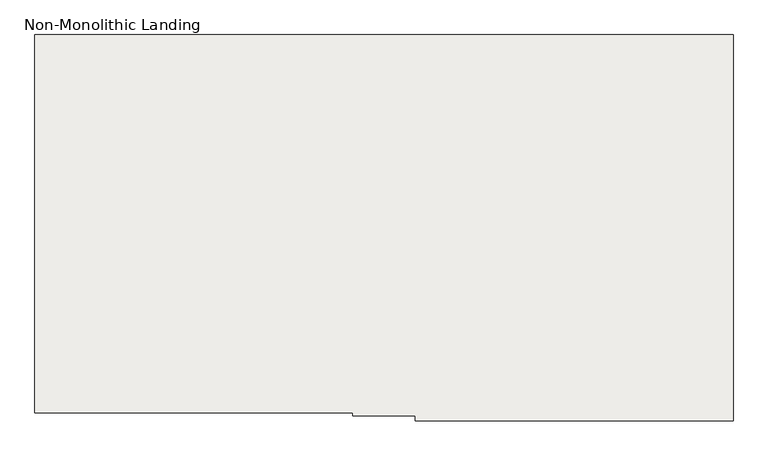
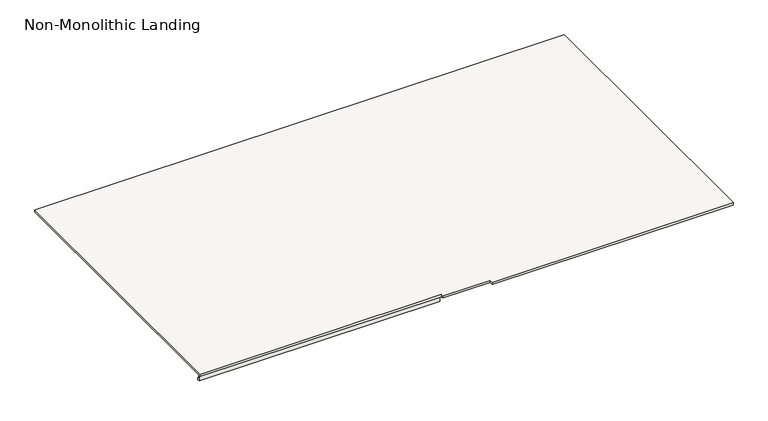
"""IFC4 building model written with IfcOpenShell, lengths in millimetres: slab geometry, Non-Monolithic Landing."""

from ifc_helpers import new_model, si_unit, origin, place, context, project, spatial, faceted_brep, source, transform, mapped, element, save


def non_monolithic_landing_8919139d(model_context):
    return source(origin(), model_context, "Body", "Brep", [
        faceted_brep([(-18715.7515248, -1038.9832568, 2321.5294118), (-18715.7515248, -2228.9832568, 2321.5294118), (-17715.7515248, -2228.9832568, 2321.5294118), (-17715.7515248, -2238.9832568, 2321.5294118), (-17519.2515248, -2238.9832568, 2321.5294118), (-17519.2515248, -2253.9832568, 2321.5294118), (-16519.2515248, -2253.9832568, 2321.5294118), (-16519.2515248, -2238.9832568, 2321.5294118), (-16519.2515248, -1038.9832568, 2321.5294118), (-17715.7515248, -2228.9832568, 2311.5294118), (-18715.7515248, -2228.9832568, 2311.5294118), (-18715.7515248, -2218.9832568, 2311.5294118), (-17715.7515248, -2218.9832568, 2311.5294118), (-17715.7515248, -2215.6889024, 2311.5294118), (-18715.7515248, -2215.6889024, 2311.5294118), (-18715.7515248, -1038.9832568, 2311.5294118), (-16519.2515248, -1038.9832568, 2311.5294118), (-16519.2515248, -2238.9832568, 2311.5294118), (-16519.2515248, -2253.9832568, 2311.5294118), (-17519.2515248, -2253.9832568, 2311.5294118), (-17519.2515248, -2238.9832568, 2311.5294118), (-17715.7515248, -2238.9832568, 2311.5294118), (-18715.7515248, -2215.6889024, 2294.8944381), (-18715.7515248, -2209.7889347, 2294.9074412), (-18715.7515248, -2209.7889347, 2285.6487924), (-18715.7515248, -2218.9832568, 2285.6487924), (-17715.7515248, -2218.9832568, 2285.6487924), (-17715.7515248, -2209.7889347, 2285.6487924), (-17715.7515248, -2209.7889347, 2294.9074412), (-17715.7515248, -2215.6889024, 2294.8944381)], [[[0, 1, 2, 3, 4, 5, 6, 7, 8]], [[9, 10, 11, 12, 13, 14, 15, 16, 17, 18, 19, 20, 21]], [[8, 7, 17, 16]], [[0, 8, 16, 15]], [[0, 15, 14, 22, 23, 24, 25, 11, 10, 1]], [[26, 27, 28, 29, 13, 12]], [[25, 26, 12, 11]], [[27, 26, 25, 24]], [[28, 27, 24, 23]], [[29, 28, 23, 22]], [[29, 22, 14, 13]], [[2, 1, 10, 9]], [[3, 2, 9, 21]], [[4, 3, 21, 20]], [[5, 4, 20, 19]], [[6, 5, 19, 18]], [[7, 6, 18, 17]]]),
    ])


if __name__ == "__main__":
    model = new_model("IFC4")
    model_context = context("Model", 3, world=origin())
    ifc_project = project(units=[si_unit("LENGTHUNIT", "METRE", prefix="MILLI")], contexts=[model_context])
    site = spatial("IfcSite", under=ifc_project)
    building = spatial("IfcBuilding", under=site)
    placement = place(None, origin())
    non_monolithic_landing_shape = non_monolithic_landing_8919139d(model_context)
    element("IfcSlab", 1, ObjectType="Non-Monolithic Landing", at=placement, inside=building, context=model_context, shape_type="MappedRepresentation", body=[
        mapped(non_monolithic_landing_shape, transform((0.0, 0.0, 0.0), x_axis=(1.0, 0.0, 0.0), y_axis=(0.0, 1.0, 0.0), z_axis=(0.0, 0.0, 1.0))),
    ])
    save(model, "model.ifc")
